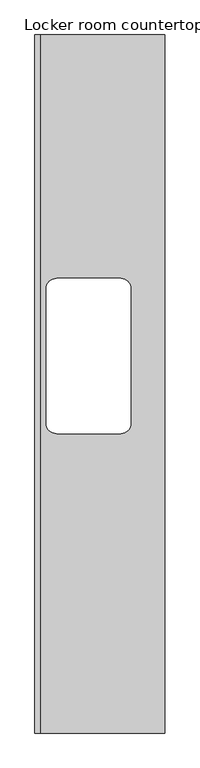
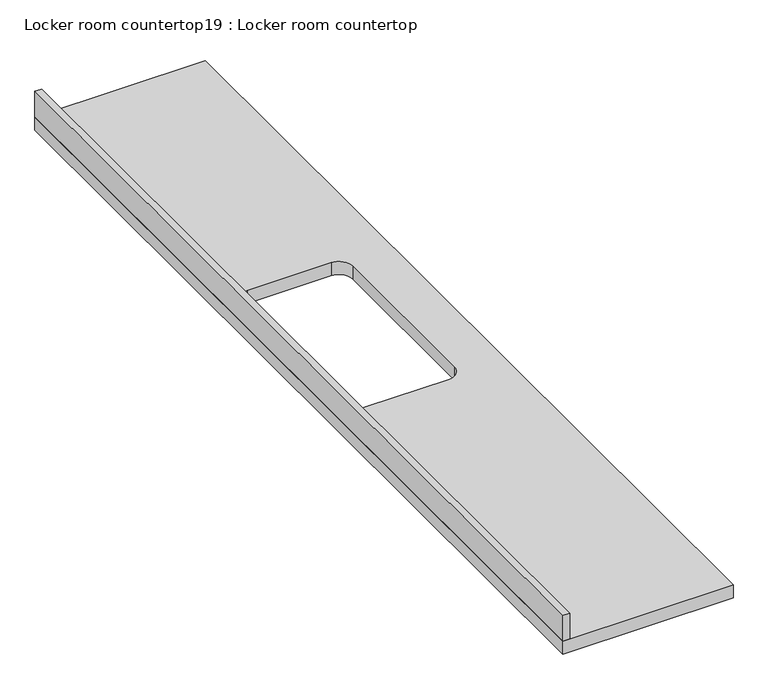
"""IFC4 building model written with IfcOpenShell, lengths in millimetres: furniture geometry, Locker room countertop19 : Locker room countertop."""

from ifc_helpers import new_model, si_unit, point, frame, frame_2d, origin, place, context, project, spatial, polyline, circle_curve, trimmed, segment, composite_curve, outline, extrude, source, transform, mapped, element, save


def locker_room_countertop19_locker_room_countertop_d6f4f5ea(model_context):
    return source(origin(), model_context, "Body", "SweptSolid", [
        extrude(outline(polyline([(211066.6456854, -242066.8445999), (211066.6456854, -245464.8113056), (210434.0254676, -245464.8113056), (210434.0254676, -242066.8445999), (211066.6456854, -242066.8445999)]), holes=[composite_curve([segment(polyline([(210488.7956854, -243302.6363056), (210488.7956854, -243956.6863056)]), True, "CONTINUOUS"), segment(trimmed(circle_curve(frame_2d((210539.5956854, -243956.6863056)), 50.8), [point((210488.7956854, -243956.6863056))], [point((210539.5956854, -244007.4863056))], True, "CARTESIAN"), True, "CONTINUOUS"), segment(polyline([(210539.5956854, -244007.4863056), (210850.7456854, -244007.4863056)]), True, "CONTINUOUS"), segment(trimmed(circle_curve(frame_2d((210850.7456854, -243956.6863056)), 50.8), [point((210850.7456854, -244007.4863056))], [point((210901.5456854, -243956.6863056))], True, "CARTESIAN"), True, "CONTINUOUS"), segment(polyline([(210901.5456854, -243956.6863056), (210901.5456854, -243302.6363056)]), True, "CONTINUOUS"), segment(trimmed(circle_curve(frame_2d((210850.7456854, -243302.6363056)), 50.8), [point((210901.5456854, -243302.6363056))], [point((210850.7456854, -243251.8363056))], True, "CARTESIAN"), True, "CONTINUOUS"), segment(polyline([(210850.7456854, -243251.8363056), (210539.5956854, -243251.8363056)]), True, "CONTINUOUS"), segment(trimmed(circle_curve(frame_2d((210539.5956854, -243302.6363056)), 50.8), [point((210539.5956854, -243251.8363056))], [point((210488.7956854, -243302.6363056))], True, "CARTESIAN"), True, "CONTINUOUS")], self_intersect=False)]), frame((0.0, 0.0, 863.6), z_axis=(0.0, 0.0, 1.0), x_axis=(1.0, 0.0, 0.0)), (0.0, 0.0, 1.0), 50.8),
        extrude(outline(polyline([(210459.4254676, -242066.8445999), (210459.4254676, -245464.8113056), (210434.0254676, -245464.8113056), (210434.0254676, -242066.8445999), (210459.4254676, -242066.8445999)])), frame((0.0, 0.0, 914.4), z_axis=(0.0, 0.0, 1.0), x_axis=(1.0, 0.0, 0.0)), (0.0, 0.0, 1.0), 101.6),
    ])


if __name__ == "__main__":
    model = new_model("IFC4")
    model_context = context("Model", 3, world=origin())
    ifc_project = project(units=[si_unit("LENGTHUNIT", "METRE", prefix="MILLI")], contexts=[model_context])
    site = spatial("IfcSite", under=ifc_project)
    building = spatial("IfcBuilding", under=site)
    placement = place(None, origin())
    locker_room_countertop19_locker_room_countertop_shape = locker_room_countertop19_locker_room_countertop_d6f4f5ea(model_context)
    element("IfcFurniture", 1, ObjectType="Locker room countertop19 : Locker room countertop", at=placement, inside=building, context=model_context, shape_type="MappedRepresentation", body=[
        mapped(locker_room_countertop19_locker_room_countertop_shape, transform((0.0, 0.0, 0.0), x_axis=(1.0, 0.0, 0.0), y_axis=(0.0, 1.0, 0.0), z_axis=(0.0, 0.0, 1.0))),
    ])
    save(model, "model.ifc")
